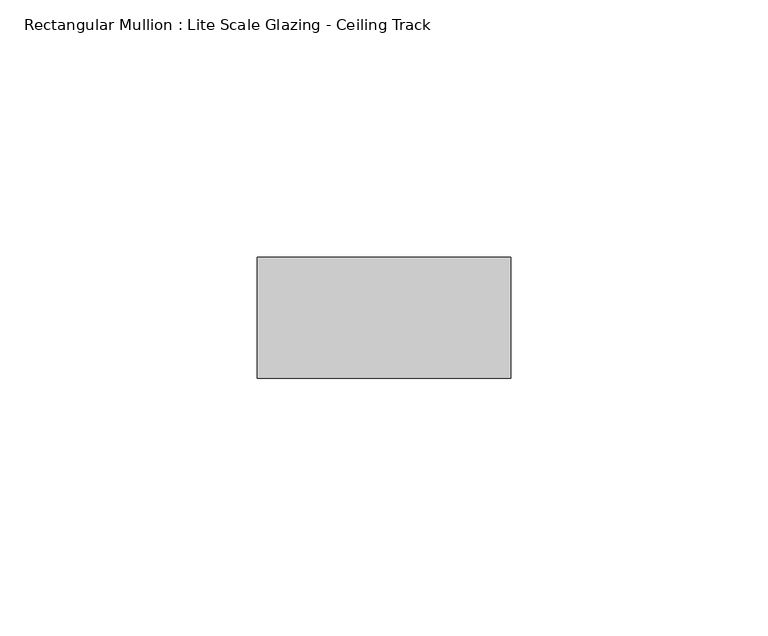
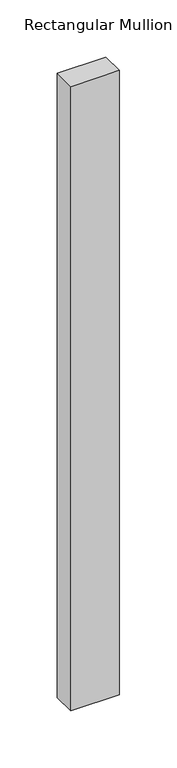
"""IFC4 building model written with IfcOpenShell, lengths in millimetres: member geometry, Rectangular Mullion : Lite Scale Glazing - Ceiling Track."""

from ifc_helpers import new_model, si_unit, frame, origin, place, context, project, spatial, polyline, outline, extrude, source, transform, mapped, element, save


def rectangular_mullion_lite_scale_glazing_ceiling_track_c41da53b(model_context):
    return source(origin(), model_context, "Body", "SweptSolid", [
        extrude(outline(polyline([(-49.276, -11.7474999), (-49.276, 11.7474999), (0.0, 11.7474999), (0.0, -11.7474999), (-49.276, -11.7474999)])), frame((0.0, 0.0, -666.6271986), z_axis=(0.0, 0.0, 1.0), x_axis=(1.0, 0.0, 0.0)), (0.0, 0.0, 1.0), 666.6271986),
    ])


if __name__ == "__main__":
    model = new_model("IFC4")
    model_context = context("Model", 3, world=origin())
    ifc_project = project(units=[si_unit("LENGTHUNIT", "METRE", prefix="MILLI")], contexts=[model_context])
    site = spatial("IfcSite", under=ifc_project)
    building = spatial("IfcBuilding", under=site)
    placement = place(None, origin())
    rectangular_mullion_lite_scale_glazing_ceiling_track_shape = rectangular_mullion_lite_scale_glazing_ceiling_track_c41da53b(model_context)
    element("IfcMember", 1, ObjectType="Rectangular Mullion : Lite Scale Glazing - Ceiling Track", at=placement, inside=building, context=model_context, shape_type="MappedRepresentation", body=[
        mapped(rectangular_mullion_lite_scale_glazing_ceiling_track_shape, transform((0.0, 0.0, 0.0), x_axis=(1.0, 0.0, 0.0), y_axis=(0.0, 1.0, 0.0), z_axis=(0.0, 0.0, 1.0))),
    ])
    save(model, "model.ifc")
